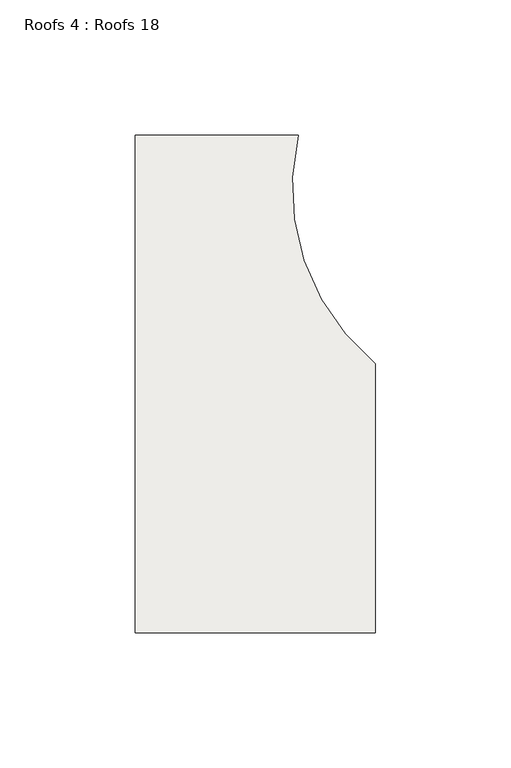
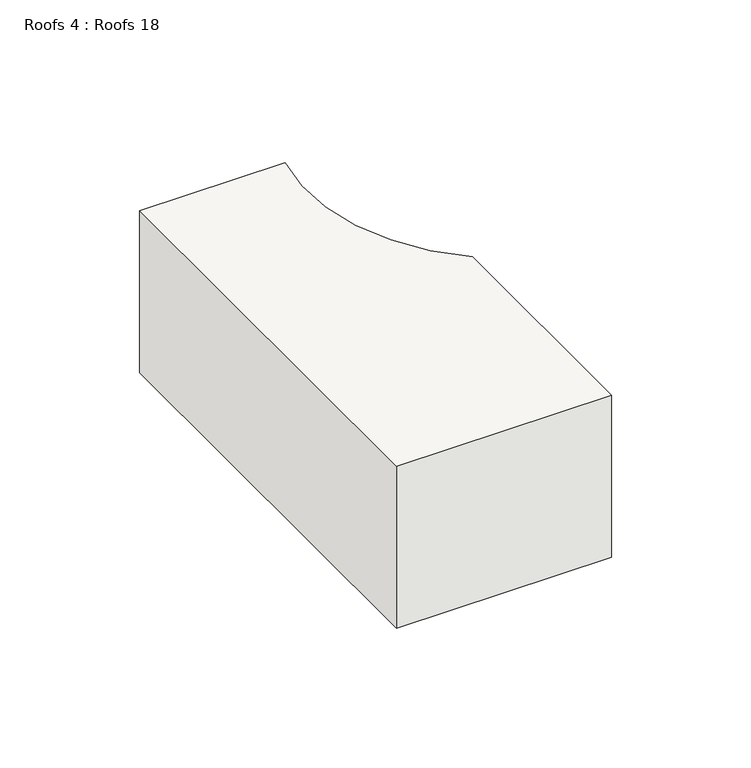
"""IFC4 building model written with IfcOpenShell, lengths in millimetres: roof geometry, Roofs 4 : Roofs 18."""

from ifc_helpers import new_model, si_unit, point, frame, frame_2d, origin, place, context, project, spatial, polyline, circle_curve, trimmed, segment, composite_curve, outline, extrude, source, transform, mapped, element, save


def roofs_4_roofs_18_c52b2731(model_context):
    return source(origin(), model_context, "Body", "SweptSolid", [
        extrude(outline(composite_curve([segment(polyline([(-1699.6726197, -8735.2444693), (-1788.5726197, -8735.2444693), (-1788.5726197, -8551.0944693), (-1728.3114112, -8551.0944693)]), True, "CONTINUOUS"), segment(trimmed(circle_curve(frame_2d((-1646.7467323, -8570.5651438)), 83.8564488), [point((-1728.3114112, -8551.0944693))], [point((-1699.6726197, -8635.6093937))], True, "CARTESIAN"), True, "CONTINUOUS"), segment(polyline([(-1699.6726197, -8635.6093937), (-1699.6726197, -8735.2444693)]), True, "CONTINUOUS")], self_intersect=False)), frame((0.0, 0.0, 154.9710657), z_axis=(0.0, 0.0, 1.0), x_axis=(1.0, 0.0, 0.0)), (0.0, 0.0, 1.0), 70.8274367),
    ])


if __name__ == "__main__":
    model = new_model("IFC4")
    model_context = context("Model", 3, world=origin())
    ifc_project = project(units=[si_unit("LENGTHUNIT", "METRE", prefix="MILLI")], contexts=[model_context])
    site = spatial("IfcSite", under=ifc_project)
    building = spatial("IfcBuilding", under=site)
    placement = place(None, origin())
    roofs_4_roofs_18_shape = roofs_4_roofs_18_c52b2731(model_context)
    element("IfcRoof", 1, ObjectType="Roofs 4 : Roofs 18", at=placement, inside=building, context=model_context, shape_type="MappedRepresentation", body=[
        mapped(roofs_4_roofs_18_shape, transform((0.0, 0.0, 0.0), x_axis=(1.0, 0.0, 0.0), y_axis=(0.0, 1.0, 0.0), z_axis=(0.0, 0.0, 1.0))),
    ])
    save(model, "model.ifc")
